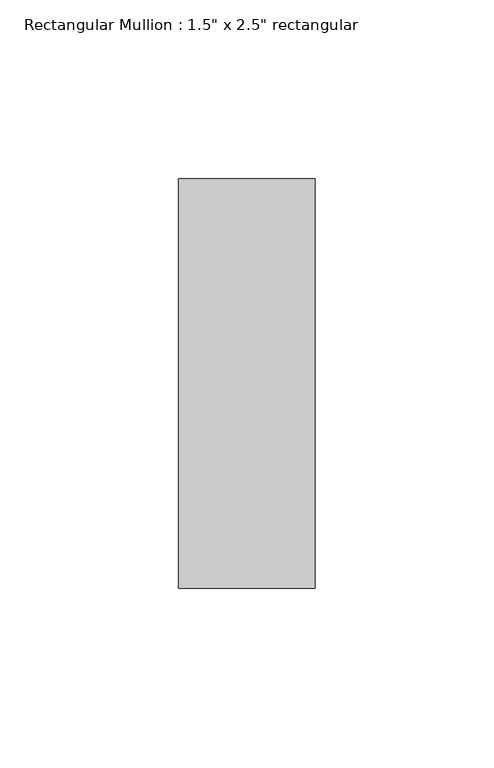
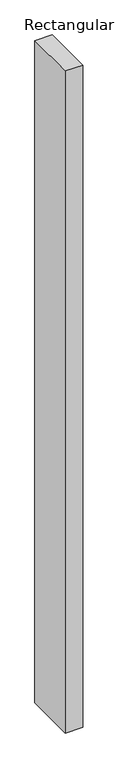
"""IFC4 building model written with IfcOpenShell, lengths in millimetres: member geometry."""

from ifc_helpers import new_model, si_unit, frame, origin, place, context, project, spatial, polyline, outline, extrude, source, transform, mapped, element, save


def member_846e18de(model_context):
    return source(origin(), model_context, "Body", "SweptSolid", [
        extrude(outline(polyline([(0.0, 57.15), (0.0, -57.15), (-38.1, -57.15), (-38.1, 57.15), (0.0, 57.15)])), frame((0.0, 0.0, -1524.0), z_axis=(0.0, 0.0, 1.0), x_axis=(1.0, 0.0, 0.0)), (0.0, 0.0, 1.0), 1524.0),
    ])


if __name__ == "__main__":
    model = new_model("IFC4")
    model_context = context("Model", 3, world=origin())
    ifc_project = project(units=[si_unit("LENGTHUNIT", "METRE", prefix="MILLI")], contexts=[model_context])
    site = spatial("IfcSite", under=ifc_project)
    building = spatial("IfcBuilding", under=site)
    placement = place(None, origin())
    member_shape = member_846e18de(model_context)
    element("IfcMember", 1, ObjectType="Rectangular Mullion : 1.5\" x 2.5\" rectangular", at=placement, inside=building, context=model_context, shape_type="MappedRepresentation", body=[
        mapped(member_shape, transform((0.0, 0.0, 0.0), x_axis=(1.0, 0.0, 0.0), y_axis=(0.0, 1.0, 0.0), z_axis=(0.0, 0.0, 1.0))),
    ])
    save(model, "model.ifc")
